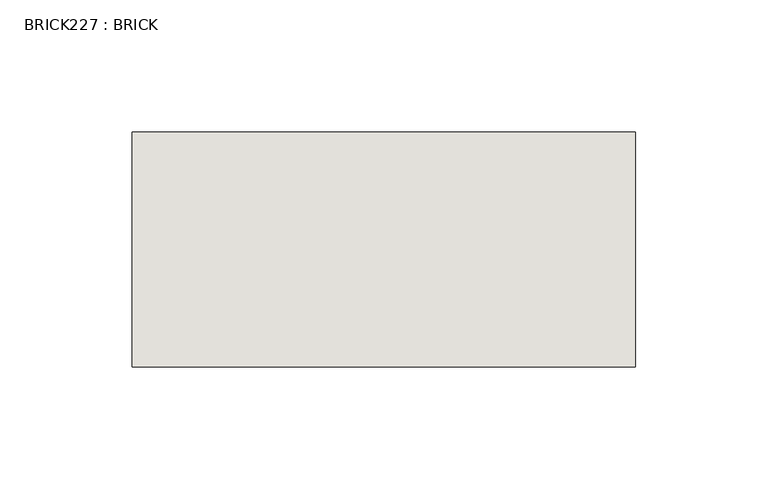
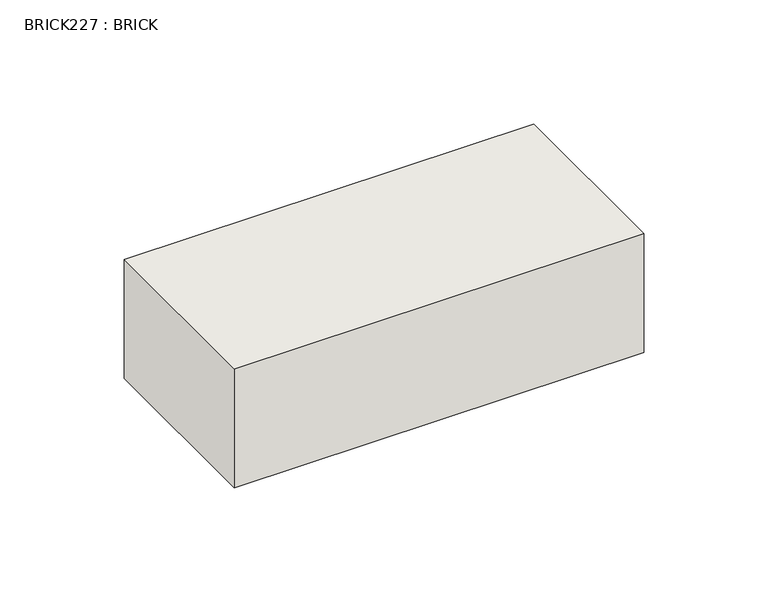
"""IFC4 building model written with IfcOpenShell, lengths in millimetres: wall geometry, BRICK227 : BRICK."""

from ifc_helpers import new_model, si_unit, frame, origin, place, context, project, spatial, polyline, outline, extrude, source, transform, mapped, element, save


def brick227_brick_0d73353b(model_context):
    return source(origin(), model_context, "Body", "SweptSolid", [
        extrude(outline(polyline([(-1481.0574357, 3062.3923312), (-1290.5574357, 3062.3923312), (-1290.5574357, 2973.4923312), (-1481.0574357, 2973.4923312), (-1481.0574357, 3062.3923312)])), frame((0.0, 0.0, 143.8671875), z_axis=(0.0, 0.0, 1.0), x_axis=(1.0, 0.0, 0.0)), (0.0, 0.0, 1.0), 58.4398437),
    ])


if __name__ == "__main__":
    model = new_model("IFC4")
    model_context = context("Model", 3, world=origin())
    ifc_project = project(units=[si_unit("LENGTHUNIT", "METRE", prefix="MILLI")], contexts=[model_context])
    site = spatial("IfcSite", under=ifc_project)
    building = spatial("IfcBuilding", under=site)
    placement = place(None, origin())
    brick227_brick_shape = brick227_brick_0d73353b(model_context)
    element("IfcWall", 1, ObjectType="BRICK227 : BRICK", at=placement, inside=building, context=model_context, shape_type="MappedRepresentation", body=[
        mapped(brick227_brick_shape, transform((0.0, 0.0, 0.0), x_axis=(1.0, 0.0, 0.0), y_axis=(0.0, 1.0, 0.0), z_axis=(0.0, 0.0, 1.0))),
    ])
    save(model, "model.ifc")
